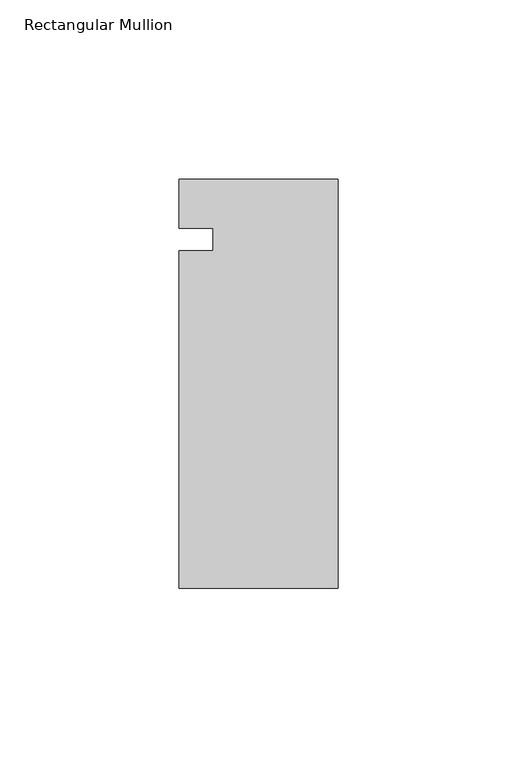
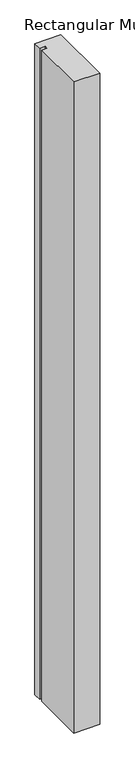
"""IFC4 building model written with IfcOpenShell, lengths in millimetres: member geometry, Rectangular Mullion."""

from ifc_helpers import new_model, si_unit, frame, origin, place, context, project, spatial, polyline, outline, extrude, source, transform, mapped, element, save


def rectangular_mullion_841ee95d(model_context):
    return source(origin(), model_context, "Body", "SweptSolid", [
        extrude(outline(polyline([(-44.45, 16.8840492), (0.0, 16.8840492), (0.0, -97.4159508), (-44.45, -97.4159508), (-44.45, -3.175), (-34.925, -3.175), (-34.925, 3.175), (-44.45, 3.175), (-44.45, 16.8840492)])), frame((0.0, 0.0, -1174.75), z_axis=(0.0, 0.0, 1.0), x_axis=(1.0, 0.0, 0.0)), (0.0, 0.0, 1.0), 1174.75),
    ])


if __name__ == "__main__":
    model = new_model("IFC4")
    model_context = context("Model", 3, world=origin())
    ifc_project = project(units=[si_unit("LENGTHUNIT", "METRE", prefix="MILLI")], contexts=[model_context])
    site = spatial("IfcSite", under=ifc_project)
    building = spatial("IfcBuilding", under=site)
    placement = place(None, origin())
    rectangular_mullion_shape = rectangular_mullion_841ee95d(model_context)
    element("IfcMember", 1, ObjectType="Rectangular Mullion", at=placement, inside=building, context=model_context, shape_type="MappedRepresentation", body=[
        mapped(rectangular_mullion_shape, transform((0.0, 0.0, 0.0), x_axis=(1.0, 0.0, 0.0), y_axis=(0.0, 1.0, 0.0), z_axis=(0.0, 0.0, 1.0))),
    ])
    save(model, "model.ifc")
